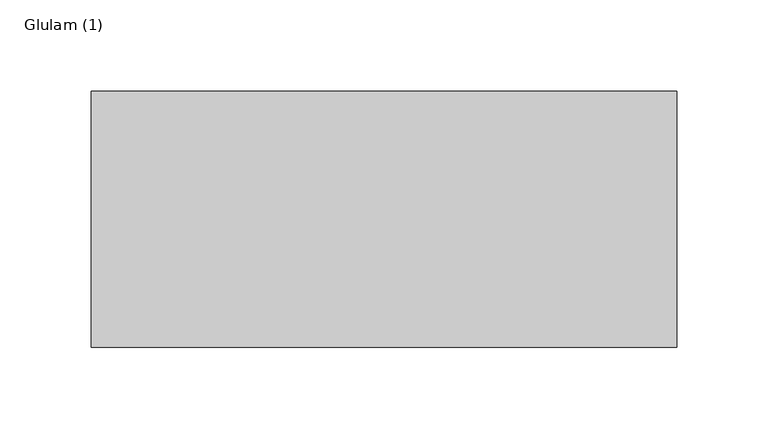
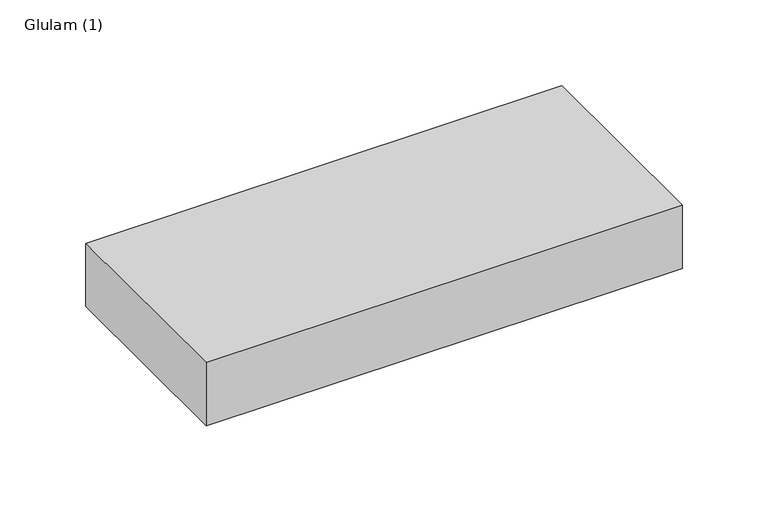
"""IFC4 building model written with IfcOpenShell, lengths in millimetres: beam geometry, Glulam (1)."""

from ifc_helpers import new_model, si_unit, frame, origin, place, context, project, spatial, polyline, outline, extrude, source, transform, mapped, element, save


def glulam_1_5391d959(model_context):
    return source(origin(), model_context, "Body", "SweptSolid", [
        extrude(outline(polyline([(160.0, 70.0), (160.0, -70.0), (-160.0, -70.0), (-160.0, 70.0), (160.0, 70.0)])), frame((0.0, 0.0, -22.5), z_axis=(0.0, 0.0, 1.0), x_axis=(1.0, 0.0, 0.0)), (0.0, 0.0, 1.0), 45.0),
    ])


if __name__ == "__main__":
    model = new_model("IFC4")
    model_context = context("Model", 3, world=origin())
    ifc_project = project(units=[si_unit("LENGTHUNIT", "METRE", prefix="MILLI")], contexts=[model_context])
    site = spatial("IfcSite", under=ifc_project)
    building = spatial("IfcBuilding", under=site)
    placement = place(None, origin())
    glulam_1_shape = glulam_1_5391d959(model_context)
    element("IfcBeam", 1, ObjectType="Glulam (1)", at=placement, inside=building, context=model_context, shape_type="MappedRepresentation", body=[
        mapped(glulam_1_shape, transform((0.0, 0.0, 0.0), x_axis=(1.0, 0.0, 0.0), y_axis=(0.0, 1.0, 0.0), z_axis=(0.0, 0.0, 1.0))),
    ])
    save(model, "model.ifc")
